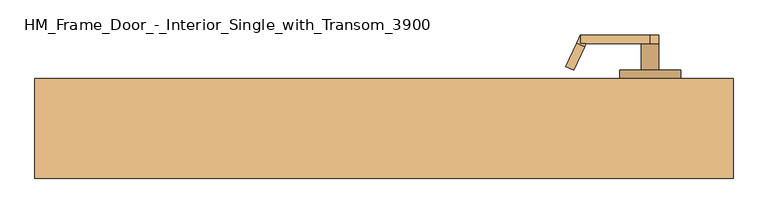
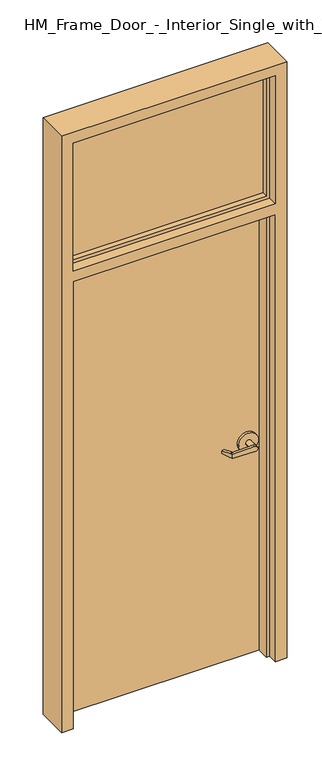
"""IFC4 building model written with IfcOpenShell, lengths in millimetres: door geometry, HM_Frame_Door_-_Interior_Single_with_Transom_3900."""

from ifc_helpers import new_model, si_unit, frame, origin, origin_with_axes, place, context, project, spatial, polyline, circle_curve, outline, extrude, faceted_brep, source, transform, mapped, element, save
from ifc_brep_helpers import plane_surface, cylinder_surface, advanced_brep


def hm_frame_door_interior_single_with_transom_3900_e08ff30b(model_context):
    return source(origin(), model_context, "Body", "SolidModel", [
        advanced_brep(
        [(291.892857, -18.0476392, 1006.475), (275.7911012, 16.4826875, 1009.65), (275.7911012, 16.4826875, 1022.35), (291.892857, -18.0476392, 1025.525), (293.8407923, -22.225, 1025.525), (293.8407923, -22.225, 1006.475), (285.75, -34.925, 1025.525), (280.3827481, -23.4148911, 1025.525), (264.2809923, 11.1154356, 1022.35), (264.2809923, 11.1154356, 1009.65), (280.3827481, -23.4148911, 1006.475), (285.75, -34.925, 1006.475), (285.75, -22.225, 1006.475), (285.75, -22.225, 1025.525), (386.9525418, -34.925, 1003.3062209), (386.9525418, -34.925, 1028.6937791), (386.9525418, -22.225, 1028.6937791), (374.65, -22.225, 1016.0), (386.9525418, -22.225, 1003.3062209), (400.05, -22.225, 1016.0), (400.05, 15.875, 1016.0), (374.65, 15.875, 1016.0), (431.8, 15.875, 1016.0), (342.9, 15.875, 1016.0), (431.8, 28.575, 1016.0), (342.9, 28.575, 1016.0)],
        [
            (0, 1),
            (1, 2),
            (2, 3),
            (3, 4),
            (4, 5),
            (5, 0),
            (6, 7),
            (7, 8),
            (8, 9),
            (9, 10),
            (10, 11),
            (11, 6),
            (10, 0),
            (5, 12),
            (12, 11),
            (9, 1),
            (8, 2),
            (7, 3),
            (6, 13),
            (13, 4),
            (11, 14),
            (14, 15, circle_curve(frame((387.35, -34.925, 1016.0), z_axis=(0.0, -1.0, 0.0), x_axis=(-1.0, 0.0, 0.0)), 12.7)),
            (15, 6),
            (13, 16),
            (16, 17, circle_curve(frame((387.35, -22.225, 1016.0), z_axis=(0.0, -1.0, 0.0), x_axis=(-1.0, 0.0, 0.0)), 12.7)),
            (17, 18, circle_curve(frame((387.35, -22.225, 1016.0), z_axis=(0.0, -1.0, 0.0), x_axis=(-1.0, 0.0, 0.0)), 12.7)),
            (18, 12),
            (18, 14),
            (18, 19, circle_curve(frame((387.35, -22.225, 1016.0), z_axis=(0.0, -1.0, 0.0), x_axis=(-1.0, 0.0, 0.0)), 12.7)),
            (19, 16, circle_curve(frame((387.35, -22.225, 1016.0), z_axis=(0.0, -1.0, 0.0), x_axis=(-1.0, 0.0, 0.0)), 12.7)),
            (16, 15),
            (19, 20),
            (20, 21, circle_curve(frame((387.35, 15.875, 1016.0), z_axis=(0.0, -1.0, 0.0), x_axis=(-1.0, 0.0, 0.0)), 12.7)),
            (21, 17),
            (21, 20, circle_curve(frame((387.35, 15.875, 1016.0), z_axis=(0.0, -1.0, 0.0), x_axis=(-1.0, 0.0, 0.0)), 12.7)),
            (22, 23, circle_curve(frame((387.35, 15.875, 1016.0), z_axis=(0.0, -1.0, 0.0), x_axis=(-1.0, 0.0, 0.0)), 44.45)),
            (23, 22, circle_curve(frame((387.35, 15.875, 1016.0), z_axis=(0.0, -1.0, 0.0), x_axis=(-1.0, 0.0, 0.0)), 44.45)),
            (24, 25, circle_curve(frame((387.35, 28.575, 1016.0), z_axis=(0.0, 1.0, 0.0), x_axis=(-1.0, 0.0, 0.0)), 44.45)),
            (25, 24, circle_curve(frame((387.35, 28.575, 1016.0), z_axis=(0.0, 1.0, 0.0), x_axis=(-1.0, 0.0, 0.0)), 44.45)),
            (22, 24),
            (25, 23),
        ],
        [
            plane_surface(frame((297.2601089, -29.5577481, 1006.475), z_axis=(0.9063077870366494, 0.4226182617407007, 0.0), x_axis=(0.0, 0.0, -1.0))),
            plane_surface(frame((285.75, -34.925, 1006.475), z_axis=(-0.9063077870366494, -0.4226182617407007, 0.0), x_axis=(0.0, 0.0, 1.0))),
            plane_surface(frame((297.2601089, -29.5577481, 1006.475), z_axis=(0.0, 0.0, -1.0000000000000002), x_axis=(-0.9063077870366494, -0.42261826174070094, 0.0))),
            plane_surface(frame((291.892857, -18.0476392, 1006.475), z_axis=(-0.035096536341209586, 0.07526476506963879, -0.9965457582448799), x_axis=(-0.9063077870366494, -0.42261826174070094, 0.0))),
            plane_surface(frame((275.7911012, 16.4826875, 1009.65), z_axis=(-0.42261826174070094, 0.9063077870366494, 0.0), x_axis=(-0.9063077870366494, -0.42261826174070094, 0.0))),
            plane_surface(frame((275.7911012, 16.4826875, 1022.35), z_axis=(-0.03509653634121044, 0.07526476506964089, 0.9965457582448796), x_axis=(-0.9063077870366495, -0.42261826174070033, 0.0))),
            plane_surface(frame((291.892857, -18.0476392, 1025.525), z_axis=(0.0, 0.0, 1.0000000000000002), x_axis=(-0.9063077870366494, -0.42261826174070094, 0.0))),
            plane_surface(frame((285.75, -34.925, 1006.475), z_axis=(0.0, -1.0, 0.0), x_axis=(0.9995101626549141, 0.0, -0.03129592225110647))),
            plane_surface(frame((285.75, -22.225, 1006.475), z_axis=(0.0, 1.0, 0.0), x_axis=(-0.9995101626549141, 0.0, 0.03129592225110647))),
            plane_surface(frame((285.75, -34.925, 1006.475), z_axis=(-0.03129592225110647, 0.0, -0.9995101626549141), x_axis=(0.0, 1.0, 0.0))),
            cylinder_surface(frame((387.35, -22.225, 1016.0), z_axis=(0.0, -1.0, 0.0), x_axis=(-1.0, 0.0, 0.0)), 12.7),
            plane_surface(frame((386.9525418, -34.925, 1028.6937791), z_axis=(-0.03129592225110282, 0.0, 0.9995101626549142), x_axis=(0.0, 1.0, 0.0))),
            cylinder_surface(frame((387.35, 15.875, 1016.0), z_axis=(0.0, -1.0, 0.0), x_axis=(-1.0, 0.0, 0.0)), 12.7),
            plane_surface(frame((342.9, 15.875, 1016.0), z_axis=(0.0, -1.0, 0.0), x_axis=(0.0, 0.0, -1.0))),
            plane_surface(frame((342.9, 28.575, 1016.0), z_axis=(0.0, 1.0, 0.0), x_axis=(0.0, 0.0, 1.0))),
            cylinder_surface(frame((387.35, 28.575, 1016.0), z_axis=(0.0, -1.0, 0.0), x_axis=(-1.0, 0.0, 0.0)), 44.45),
        ],
        [
            (0, [[1, 2, 3, 4, 5, 6]]),
            (1, [[7, 8, 9, 10, 11, 12]]),
            (2, [[-11, 13, -6, 14, 15]]),
            (3, [[-1, -13, -10, 16]]),
            (4, [[-2, -16, -9, 17]]),
            (5, [[-3, -17, -8, 18]]),
            (6, [[-7, 19, 20, -4, -18]]),
            (7, [[21, 22, 23, -12]]),
            (8, [[24, 25, 26, 27, -14, -5, -20]]),
            (9, [[-21, -15, -27, 28]]),
            (10, [[-22, -28, 29, 30, 31]]),
            (11, [[-23, -31, -24, -19]]),
            (12, [[32, 33, 34, -25, -30]]),
            (12, [[-32, -29, -26, -34, 35]]),
            (13, [[36, 37], [-33, -35]]),
            (14, [[38, 39]]),
            (15, [[-36, 40, -39, 41]]),
            (15, [[-37, -41, -38, -40]]),
        ],
    ),
        advanced_brep(
        [(291.892857, 119.6476392, 1025.525), (275.7911012, 85.1173125, 1022.35), (275.7911012, 85.1173125, 1009.65), (291.892857, 119.6476392, 1006.475), (293.8407923, 123.825, 1006.475), (293.8407923, 123.825, 1025.525), (285.75, 136.525, 1006.475), (280.3827481, 125.0148911, 1006.475), (264.2809923, 90.4845644, 1009.65), (264.2809923, 90.4845644, 1022.35), (280.3827481, 125.0148911, 1025.525), (285.75, 136.525, 1025.525), (285.75, 123.825, 1025.525), (285.75, 123.825, 1006.475), (386.9525418, 136.525, 1028.6937791), (386.9525418, 136.525, 1003.3062209), (386.9525418, 123.825, 1003.3062209), (374.65, 123.825, 1016.0), (386.9525418, 123.825, 1028.6937791), (400.05, 123.825, 1016.0), (400.05, 85.725, 1016.0), (374.65, 85.725, 1016.0), (431.8, 85.725, 1016.0), (342.9, 85.725, 1016.0), (431.8, 73.025, 1016.0), (342.9, 73.025, 1016.0)],
        [
            (0, 1),
            (1, 2),
            (2, 3),
            (3, 4),
            (4, 5),
            (5, 0),
            (6, 7),
            (7, 8),
            (8, 9),
            (9, 10),
            (10, 11),
            (11, 6),
            (10, 0),
            (5, 12),
            (12, 11),
            (9, 1),
            (8, 2),
            (7, 3),
            (6, 13),
            (13, 4),
            (11, 14),
            (14, 15, circle_curve(frame((387.35, 136.525, 1016.0), z_axis=(0.0, 1.0, 0.0), x_axis=(-1.0, 0.0, 0.0)), 12.7)),
            (15, 6),
            (13, 16),
            (16, 17, circle_curve(frame((387.35, 123.825, 1016.0), z_axis=(0.0, 1.0, 0.0), x_axis=(-1.0, 0.0, 0.0)), 12.7)),
            (17, 18, circle_curve(frame((387.35, 123.825, 1016.0), z_axis=(0.0, 1.0, 0.0), x_axis=(-1.0, 0.0, 0.0)), 12.7)),
            (18, 12),
            (18, 14),
            (18, 19, circle_curve(frame((387.35, 123.825, 1016.0), z_axis=(0.0, 1.0, 0.0), x_axis=(-1.0, 0.0, 0.0)), 12.7)),
            (19, 16, circle_curve(frame((387.35, 123.825, 1016.0), z_axis=(0.0, 1.0, 0.0), x_axis=(-1.0, 0.0, 0.0)), 12.7)),
            (16, 15),
            (19, 20),
            (20, 21, circle_curve(frame((387.35, 85.725, 1016.0), z_axis=(0.0, 1.0, 0.0), x_axis=(-1.0, 0.0, 0.0)), 12.7)),
            (21, 17),
            (21, 20, circle_curve(frame((387.35, 85.725, 1016.0), z_axis=(0.0, 1.0, 0.0), x_axis=(-1.0, 0.0, 0.0)), 12.7)),
            (22, 23, circle_curve(frame((387.35, 85.725, 1016.0), z_axis=(0.0, 1.0, 0.0), x_axis=(-1.0, 0.0, 0.0)), 44.45)),
            (23, 22, circle_curve(frame((387.35, 85.725, 1016.0), z_axis=(0.0, 1.0, 0.0), x_axis=(-1.0, 0.0, 0.0)), 44.45)),
            (24, 25, circle_curve(frame((387.35, 73.025, 1016.0), z_axis=(0.0, -1.0, 0.0), x_axis=(-1.0, 0.0, 0.0)), 44.45)),
            (25, 24, circle_curve(frame((387.35, 73.025, 1016.0), z_axis=(0.0, -1.0, 0.0), x_axis=(-1.0, 0.0, 0.0)), 44.45)),
            (22, 24),
            (25, 23),
        ],
        [
            plane_surface(frame((297.2601089, 131.1577481, 1025.525), z_axis=(0.9063077870366494, -0.4226182617407007, 0.0), x_axis=(0.0, 0.0, 1.0))),
            plane_surface(frame((285.75, 136.525, 1025.525), z_axis=(-0.9063077870366494, 0.4226182617407007, 0.0), x_axis=(0.0, 0.0, -1.0))),
            plane_surface(frame((297.2601089, 131.1577481, 1025.525), z_axis=(0.0, 0.0, 1.0000000000000002), x_axis=(-0.9063077870366494, 0.42261826174070094, 0.0))),
            plane_surface(frame((291.892857, 119.6476392, 1025.525), z_axis=(-0.03509653634120952, -0.07526476506963879, 0.9965457582448799), x_axis=(-0.9063077870366494, 0.42261826174070094, 0.0))),
            plane_surface(frame((275.7911012, 85.1173125, 1022.35), z_axis=(-0.42261826174070094, -0.9063077870366494, 0.0), x_axis=(-0.9063077870366494, 0.42261826174070094, 0.0))),
            plane_surface(frame((275.7911012, 85.1173125, 1009.65), z_axis=(-0.03509653634121051, -0.07526476506964089, -0.9965457582448796), x_axis=(-0.9063077870366495, 0.42261826174070033, 0.0))),
            plane_surface(frame((291.892857, 119.6476392, 1006.475), z_axis=(0.0, 0.0, -1.0000000000000002), x_axis=(-0.9063077870366494, 0.42261826174070094, 0.0))),
            plane_surface(frame((285.75, 136.525, 1025.525), z_axis=(0.0, 1.0, 0.0), x_axis=(0.9995101626549141, 0.0, 0.0312959222511064))),
            plane_surface(frame((285.75, 123.825, 1025.525), z_axis=(0.0, -1.0, 0.0), x_axis=(-0.9995101626549141, 0.0, -0.0312959222511064))),
            plane_surface(frame((285.75, 136.525, 1025.525), z_axis=(-0.0312959222511064, 0.0, 0.9995101626549141), x_axis=(0.0, -1.0, 0.0))),
            cylinder_surface(frame((387.35, 123.825, 1016.0), z_axis=(0.0, 1.0, 0.0), x_axis=(-1.0, 0.0, 0.0)), 12.7),
            plane_surface(frame((386.9525418, 136.525, 1003.3062209), z_axis=(-0.03129592225110289, 0.0, -0.9995101626549142), x_axis=(0.0, -1.0, 0.0))),
            cylinder_surface(frame((387.35, 85.725, 1016.0), z_axis=(0.0, 1.0, 0.0), x_axis=(-1.0, 0.0, 0.0)), 12.7),
            plane_surface(frame((342.9, 85.725, 1016.0), z_axis=(0.0, 1.0, 0.0), x_axis=(0.0, 0.0, 1.0))),
            plane_surface(frame((342.9, 73.025, 1016.0), z_axis=(0.0, -1.0, 0.0), x_axis=(0.0, 0.0, -1.0))),
            cylinder_surface(frame((387.35, 73.025, 1016.0), z_axis=(0.0, 1.0, 0.0), x_axis=(-1.0, 0.0, 0.0)), 44.45),
        ],
        [
            (0, [[1, 2, 3, 4, 5, 6]]),
            (1, [[7, 8, 9, 10, 11, 12]]),
            (2, [[-11, 13, -6, 14, 15]]),
            (3, [[-1, -13, -10, 16]]),
            (4, [[-2, -16, -9, 17]]),
            (5, [[-3, -17, -8, 18]]),
            (6, [[-7, 19, 20, -4, -18]]),
            (7, [[21, 22, 23, -12]]),
            (8, [[24, 25, 26, 27, -14, -5, -20]]),
            (9, [[-21, -15, -27, 28]]),
            (10, [[-22, -28, 29, 30, 31]]),
            (11, [[-23, -31, -24, -19]]),
            (12, [[32, 33, 34, -25, -30]]),
            (12, [[-32, -29, -26, -34, 35]]),
            (13, [[36, 37], [-33, -35]]),
            (14, [[38, 39]]),
            (15, [[-36, 40, -39, 41]]),
            (15, [[-37, -41, -38, -40]]),
        ],
    ),
        extrude(outline(polyline([(441.325, -3.175), (-441.325, -3.175), (-441.325, 3.175), (441.325, 3.175), (441.325, -3.175)])), frame((0.0, 0.0, 2200.275), z_axis=(0.0, 0.0, 1.0), x_axis=(1.0, 0.0, 0.0)), (0.0, 0.0, 1.0), 577.85),
        extrude(outline(polyline([(-457.2, 73.025), (457.2, 73.025), (457.2, 28.575), (-457.2, 28.575), (-457.2, 73.025)])), origin_with_axes(), (0.0, 0.0, 1.0), 2133.6),
        faceted_brep([(457.2, 73.025, 2133.6), (-457.2, 73.025, 2133.6), (-457.2, 73.025, 0.0), (-508.0, 73.025, 0.0), (-508.0, 73.025, 2844.8), (508.0, 73.025, 2844.8), (508.0, 73.025, 0.0), (457.2, 73.025, 0.0), (-457.2, 73.025, 2184.4), (457.2, 73.025, 2184.4), (457.2, 73.025, 2794.0), (-457.2, 73.025, 2794.0), (-457.2, 28.575, 2133.6), (-457.2, 28.575, 0.0), (-457.2, 28.575, 2794.0), (-457.2, 28.575, 2184.4), (-441.325, 28.575, 0.0), (-441.325, -28.575, 0.0), (-457.2, -28.575, 0.0), (-457.2, -73.025, 0.0), (-508.0, -73.025, 0.0), (-508.0, -73.025, 2844.8), (508.0, -73.025, 0.0), (508.0, -73.025, 2844.8), (457.2, -73.025, 0.0), (457.2, -28.575, 0.0), (441.325, -28.575, 0.0), (441.325, 28.575, 0.0), (457.2, 28.575, 0.0), (457.2, 28.575, 2133.6), (457.2, 28.575, 2184.4), (457.2, 28.575, 2794.0), (441.325, 28.575, 2117.725), (-441.325, 28.575, 2117.725), (-441.325, 28.575, 2200.275), (441.325, 28.575, 2200.275), (441.325, 28.575, 2778.125), (-441.325, 28.575, 2778.125), (441.325, -28.575, 2117.725), (441.325, -28.575, 2778.125), (441.325, -28.575, 2200.275), (-441.325, -28.575, 2117.725), (-441.325, -28.575, 2778.125), (-441.325, -28.575, 2200.275), (457.2, -28.575, 2133.6), (-457.2, -28.575, 2133.6), (457.2, -28.575, 2794.0), (-457.2, -28.575, 2794.0), (-457.2, -28.575, 2184.4), (457.2, -28.575, 2184.4), (457.2, -73.025, 2133.6), (457.2, -73.025, 2794.0), (457.2, -73.025, 2184.4), (-457.2, -73.025, 2133.6), (-457.2, -73.025, 2794.0), (-457.2, -73.025, 2184.4)], [[[0, 1, 2, 3, 4, 5, 6, 7], [8, 9, 10, 11]], [[12, 13, 2, 1]], [[11, 14, 15, 8]], [[3, 2, 13, 16, 17, 18, 19, 20]], [[4, 3, 20, 21]], [[22, 6, 5, 23]], [[7, 6, 22, 24, 25, 26, 27, 28]], [[7, 28, 29, 0]], [[30, 31, 10, 9]], [[16, 13, 12, 29, 28, 27, 32, 33]], [[14, 31, 30, 15], [34, 35, 36, 37]], [[27, 26, 38, 32]], [[39, 36, 35, 40]], [[17, 16, 33, 41]], [[37, 42, 43, 34]], [[18, 17, 41, 38, 26, 25, 44, 45]], [[46, 47, 48, 49], [40, 43, 42, 39]], [[44, 25, 24, 50]], [[51, 46, 49, 52]], [[19, 18, 45, 53]], [[48, 47, 54, 55]], [[53, 50, 24, 22, 23, 21, 20, 19], [52, 55, 54, 51]], [[11, 10, 31, 14]], [[5, 4, 21, 23]], [[39, 42, 37, 36]], [[51, 54, 47, 46]], [[9, 8, 15, 30]], [[35, 34, 43, 40]], [[55, 52, 49, 48]], [[50, 53, 45, 44]], [[38, 41, 33, 32]], [[1, 0, 29, 12]]]),
    ])


if __name__ == "__main__":
    model = new_model("IFC4")
    model_context = context("Model", 3, world=origin())
    ifc_project = project(units=[si_unit("LENGTHUNIT", "METRE", prefix="MILLI")], contexts=[model_context])
    site = spatial("IfcSite", under=ifc_project)
    building = spatial("IfcBuilding", under=site)
    placement = place(None, origin())
    hm_frame_door_interior_single_with_transom_3900_shape = hm_frame_door_interior_single_with_transom_3900_e08ff30b(model_context)
    element("IfcDoor", 1, ObjectType="HM_Frame_Door_-_Interior_Single_with_Transom_3900", at=placement, inside=building, context=model_context, shape_type="MappedRepresentation", body=[
        mapped(hm_frame_door_interior_single_with_transom_3900_shape, transform((0.0, 0.0, 0.0), x_axis=(1.0, 0.0, 0.0), y_axis=(0.0, 1.0, 0.0), z_axis=(0.0, 0.0, 1.0))),
    ])
    save(model, "model.ifc")
